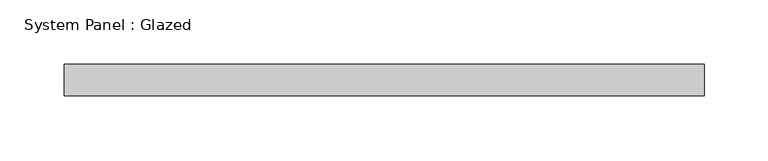
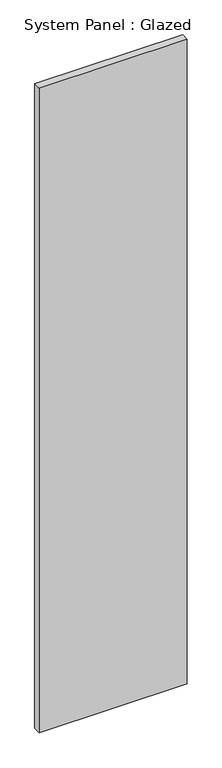
"""IFC4 building model written with IfcOpenShell, lengths in millimetres: plate geometry, System Panel : Glazed."""

from ifc_helpers import new_model, si_unit, origin, origin_with_axes, place, context, project, spatial, polyline, outline, extrude, source, transform, mapped, element, save


def system_panel_glazed_425dd46c(model_context):
    return source(origin(), model_context, "Body", "SweptSolid", [
        extrude(outline(polyline([(250.0, 24.5), (-250.0, 24.5), (-250.0, 49.5), (250.0, 49.5), (250.0, 24.5)])), origin_with_axes(), (0.0, 0.0, 1.0), 2300.0),
    ])


if __name__ == "__main__":
    model = new_model("IFC4")
    model_context = context("Model", 3, world=origin())
    ifc_project = project(units=[si_unit("LENGTHUNIT", "METRE", prefix="MILLI")], contexts=[model_context])
    site = spatial("IfcSite", under=ifc_project)
    building = spatial("IfcBuilding", under=site)
    placement = place(None, origin())
    system_panel_glazed_shape = system_panel_glazed_425dd46c(model_context)
    element("IfcPlate", 1, ObjectType="System Panel : Glazed", at=placement, inside=building, context=model_context, shape_type="MappedRepresentation", body=[
        mapped(system_panel_glazed_shape, transform((0.0, 0.0, 0.0), x_axis=(1.0, 0.0, 0.0), y_axis=(0.0, 1.0, 0.0), z_axis=(0.0, 0.0, 1.0))),
    ])
    save(model, "model.ifc")
